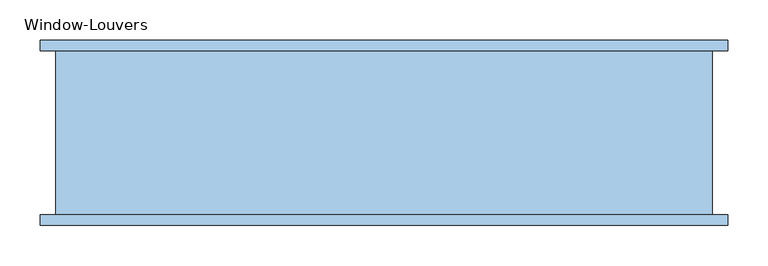
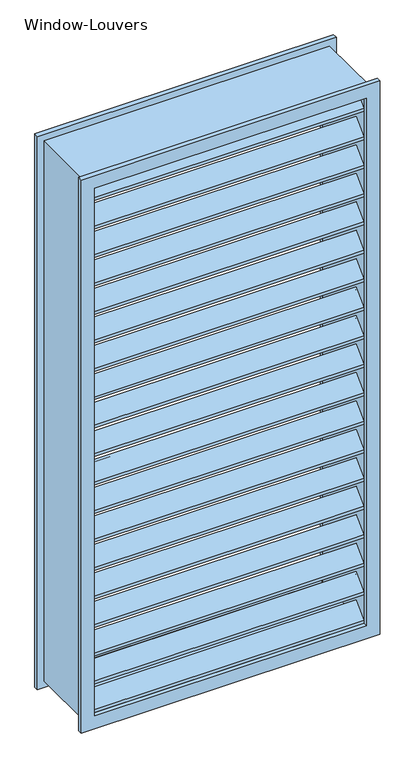
"""IFC4 building model written with IfcOpenShell, lengths in millimetres: window geometry, Window-Louvers."""

from ifc_helpers import new_model, si_unit, frame, origin, place, context, project, spatial, polyline, outline, extrude, source, transform, mapped, element, save


def window_louvers_d62ce4f3(model_context):
    return source(origin(), model_context, "Body", "SweptSolid", [
        extrude(outline(polyline([(-95.25, 2397.2711253), (-57.15, 2435.3711253), (-19.05, 2397.2711253), (-19.05, 2388.2908692), (-57.15, 2426.3908692), (-95.25, 2388.2908692), (-95.25, 2397.2711253)])), frame((-387.35, 0.0, 0.0), z_axis=(1.0, 0.0, 0.0), x_axis=(0.0, 1.0, 0.0)), (0.0, 0.0, 1.0), 774.7),
        extrude(outline(polyline([(-95.25, 2311.6922507), (-57.15, 2349.7922507), (-19.05, 2311.6922507), (-19.05, 2302.7119946), (-57.15, 2340.8119946), (-95.25, 2302.7119946), (-95.25, 2311.6922507)])), frame((-387.35, 0.0, 0.0), z_axis=(1.0, 0.0, 0.0), x_axis=(0.0, 1.0, 0.0)), (0.0, 0.0, 1.0), 774.7),
        extrude(outline(polyline([(-95.25, 2226.113376), (-57.15, 2264.213376), (-19.05, 2226.113376), (-19.05, 2217.1331199), (-57.15, 2255.2331199), (-95.25, 2217.1331199), (-95.25, 2226.113376)])), frame((-387.35, 0.0, 0.0), z_axis=(1.0, 0.0, 0.0), x_axis=(0.0, 1.0, 0.0)), (0.0, 0.0, 1.0), 774.7),
        extrude(outline(polyline([(-95.25, 2140.5345014), (-57.15, 2178.6345014), (-19.05, 2140.5345014), (-19.05, 2131.5542452), (-57.15, 2169.6542452), (-95.25, 2131.5542452), (-95.25, 2140.5345014)])), frame((-387.35, 0.0, 0.0), z_axis=(1.0, 0.0, 0.0), x_axis=(0.0, 1.0, 0.0)), (0.0, 0.0, 1.0), 774.7),
        extrude(outline(polyline([(-95.25, 2054.9556267), (-57.15, 2093.0556267), (-19.05, 2054.9556267), (-19.05, 2045.9753706), (-57.15, 2084.0753706), (-95.25, 2045.9753706), (-95.25, 2054.9556267)])), frame((-387.35, 0.0, 0.0), z_axis=(1.0, 0.0, 0.0), x_axis=(0.0, 1.0, 0.0)), (0.0, 0.0, 1.0), 774.7),
        extrude(outline(polyline([(-95.25, 1969.376752), (-57.15, 2007.476752), (-19.05, 1969.376752), (-19.05, 1960.3964959), (-57.15, 1998.4964959), (-95.25, 1960.3964959), (-95.25, 1969.376752)])), frame((-387.35, 0.0, 0.0), z_axis=(1.0, 0.0, 0.0), x_axis=(0.0, 1.0, 0.0)), (0.0, 0.0, 1.0), 774.7),
        extrude(outline(polyline([(-95.25, 1883.7978774), (-57.15, 1921.8978774), (-19.05, 1883.7978774), (-19.05, 1874.8176213), (-57.15, 1912.9176213), (-95.25, 1874.8176213), (-95.25, 1883.7978774)])), frame((-387.35, 0.0, 0.0), z_axis=(1.0, 0.0, 0.0), x_axis=(0.0, 1.0, 0.0)), (0.0, 0.0, 1.0), 774.7),
        extrude(outline(polyline([(-95.25, 1798.2190027), (-57.15, 1836.3190027), (-19.05, 1798.2190027), (-19.05, 1789.2387466), (-57.15, 1827.3387466), (-95.25, 1789.2387466), (-95.25, 1798.2190027)])), frame((-387.35, 0.0, 0.0), z_axis=(1.0, 0.0, 0.0), x_axis=(0.0, 1.0, 0.0)), (0.0, 0.0, 1.0), 774.7),
        extrude(outline(polyline([(-95.25, 1712.6401281), (-57.15, 1750.7401281), (-19.05, 1712.6401281), (-19.05, 1703.6598719), (-57.15, 1741.7598719), (-95.25, 1703.6598719), (-95.25, 1712.6401281)])), frame((-387.35, 0.0, 0.0), z_axis=(1.0, 0.0, 0.0), x_axis=(0.0, 1.0, 0.0)), (0.0, 0.0, 1.0), 774.7),
        extrude(outline(polyline([(-95.25, 1627.0612534), (-57.15, 1665.1612534), (-19.05, 1627.0612534), (-19.05, 1618.0809973), (-57.15, 1656.1809973), (-95.25, 1618.0809973), (-95.25, 1627.0612534)])), frame((-387.35, 0.0, 0.0), z_axis=(1.0, 0.0, 0.0), x_axis=(0.0, 1.0, 0.0)), (0.0, 0.0, 1.0), 774.7),
        extrude(outline(polyline([(-95.25, 1541.4823787), (-57.15, 1579.5823787), (-19.05, 1541.4823787), (-19.05, 1532.5021226), (-57.15, 1570.6021226), (-95.25, 1532.5021226), (-95.25, 1541.4823787)])), frame((-387.35, 0.0, 0.0), z_axis=(1.0, 0.0, 0.0), x_axis=(0.0, 1.0, 0.0)), (0.0, 0.0, 1.0), 774.7),
        extrude(outline(polyline([(-95.25, 1455.9035041), (-57.15, 1494.0035041), (-19.05, 1455.9035041), (-19.05, 1446.923248), (-57.15, 1485.023248), (-95.25, 1446.923248), (-95.25, 1455.9035041)])), frame((-387.35, 0.0, 0.0), z_axis=(1.0, 0.0, 0.0), x_axis=(0.0, 1.0, 0.0)), (0.0, 0.0, 1.0), 774.7),
        extrude(outline(polyline([(-95.25, 1370.3246294), (-57.15, 1408.4246294), (-19.05, 1370.3246294), (-19.05, 1361.3443733), (-57.15, 1399.4443733), (-95.25, 1361.3443733), (-95.25, 1370.3246294)])), frame((-387.35, 0.0, 0.0), z_axis=(1.0, 0.0, 0.0), x_axis=(0.0, 1.0, 0.0)), (0.0, 0.0, 1.0), 774.7),
        extrude(outline(polyline([(-95.25, 1284.7457548), (-57.15, 1322.8457548), (-19.05, 1284.7457548), (-19.05, 1275.7654986), (-57.15, 1313.8654986), (-95.25, 1275.7654986), (-95.25, 1284.7457548)])), frame((-387.35, 0.0, 0.0), z_axis=(1.0, 0.0, 0.0), x_axis=(0.0, 1.0, 0.0)), (0.0, 0.0, 1.0), 774.7),
        extrude(outline(polyline([(-95.25, 1199.1668801), (-57.15, 1237.2668801), (-19.05, 1199.1668801), (-19.05, 1190.186624), (-57.15, 1228.286624), (-95.25, 1190.186624), (-95.25, 1199.1668801)])), frame((-387.35, 0.0, 0.0), z_axis=(1.0, 0.0, 0.0), x_axis=(0.0, 1.0, 0.0)), (0.0, 0.0, 1.0), 774.7),
        extrude(outline(polyline([(-95.25, 1113.5880054), (-57.15, 1151.6880054), (-19.05, 1113.5880054), (-19.05, 1104.6077493), (-57.15, 1142.7077493), (-95.25, 1104.6077493), (-95.25, 1113.5880054)])), frame((-387.35, 0.0, 0.0), z_axis=(1.0, 0.0, 0.0), x_axis=(0.0, 1.0, 0.0)), (0.0, 0.0, 1.0), 774.7),
        extrude(outline(polyline([(-95.25, 1028.0091308), (-57.15, 1066.1091308), (-19.05, 1028.0091308), (-19.05, 1019.0288747), (-57.15, 1057.1288747), (-95.25, 1019.0288747), (-95.25, 1028.0091308)])), frame((-387.35, 0.0, 0.0), z_axis=(1.0, 0.0, 0.0), x_axis=(0.0, 1.0, 0.0)), (0.0, 0.0, 1.0), 774.7),
        extrude(outline(polyline([(-95.25, 2482.85), (-57.15, 2520.95), (-19.05, 2482.85), (-19.05, 2473.8697439), (-57.15, 2511.9697439), (-95.25, 2473.8697439), (-95.25, 2482.85)])), frame((-387.35, 0.0, 0.0), z_axis=(1.0, 0.0, 0.0), x_axis=(0.0, 1.0, 0.0)), (0.0, 0.0, 1.0), 774.7),
        extrude(outline(polyline([(-95.25, 942.4302561), (-57.15, 980.5302561), (-19.05, 942.4302561), (-19.05, 933.45), (-57.15, 971.55), (-95.25, 933.45), (-95.25, 942.4302561)])), frame((-387.35, 0.0, 0.0), z_axis=(1.0, 0.0, 0.0), x_axis=(0.0, 1.0, 0.0)), (0.0, 0.0, 1.0), 774.7),
        extrude(outline(polyline([(2540.0, 406.4), (2540.0, -406.4), (914.4, -406.4), (914.4, 406.4), (2540.0, 406.4)]), holes=[polyline([(2520.95, 387.35), (933.45, 387.35), (933.45, -387.35), (2520.95, -387.35), (2520.95, 387.35)])]), frame((0.0, -95.25, 0.0), z_axis=(0.0, 1.0, 0.0), x_axis=(0.0, 0.0, 1.0)), (0.0, 0.0, 1.0), 203.2),
        extrude(outline(polyline([(2559.05, 425.45), (2559.05, -425.45), (895.35, -425.45), (895.35, 425.45), (2559.05, 425.45)]), holes=[polyline([(2520.95, 387.35), (933.45, 387.35), (933.45, -387.35), (2520.95, -387.35), (2520.95, 387.35)])]), frame((0.0, 107.95, 0.0), z_axis=(0.0, 1.0, 0.0), x_axis=(0.0, 0.0, 1.0)), (0.0, 0.0, 1.0), 12.7),
        extrude(outline(polyline([(2559.05, -425.45), (895.35, -425.45), (895.35, 425.45), (2559.05, 425.45), (2559.05, -425.45)]), holes=[polyline([(2520.95, -387.35), (2520.95, 387.35), (933.45, 387.35), (933.45, -387.35), (2520.95, -387.35)])]), frame((0.0, -107.95, 0.0), z_axis=(0.0, 1.0, 0.0), x_axis=(0.0, 0.0, 1.0)), (0.0, 0.0, 1.0), 12.7),
    ])


if __name__ == "__main__":
    model = new_model("IFC4")
    model_context = context("Model", 3, world=origin())
    ifc_project = project(units=[si_unit("LENGTHUNIT", "METRE", prefix="MILLI")], contexts=[model_context])
    site = spatial("IfcSite", under=ifc_project)
    building = spatial("IfcBuilding", under=site)
    placement = place(None, origin())
    window_louvers_shape = window_louvers_d62ce4f3(model_context)
    element("IfcWindow", 1, ObjectType="Window-Louvers", at=placement, inside=building, context=model_context, shape_type="MappedRepresentation", body=[
        mapped(window_louvers_shape, transform((0.0, 0.0, 0.0), x_axis=(1.0, 0.0, 0.0), y_axis=(0.0, 1.0, 0.0), z_axis=(0.0, 0.0, 1.0))),
    ])
    save(model, "model.ifc")
